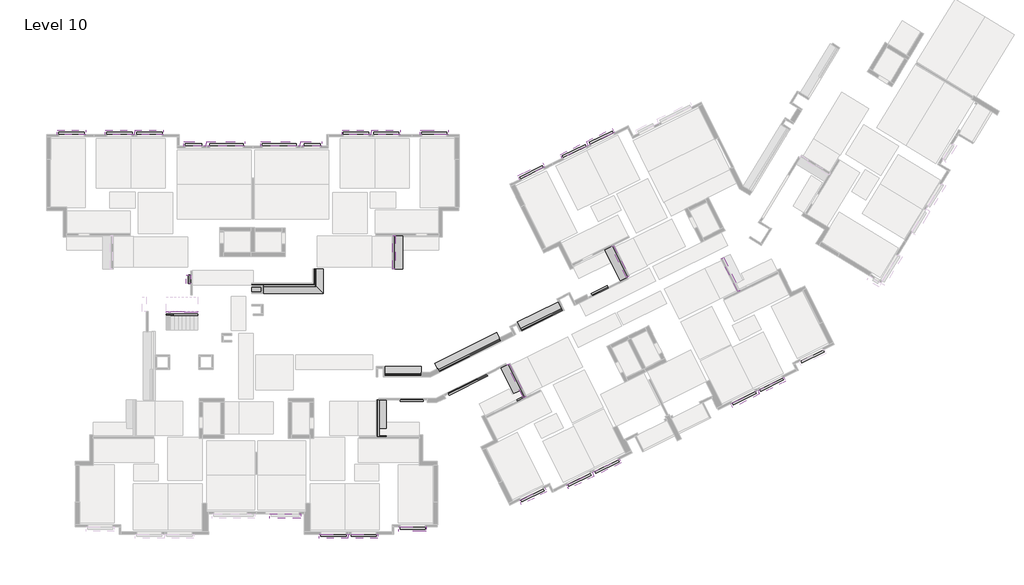
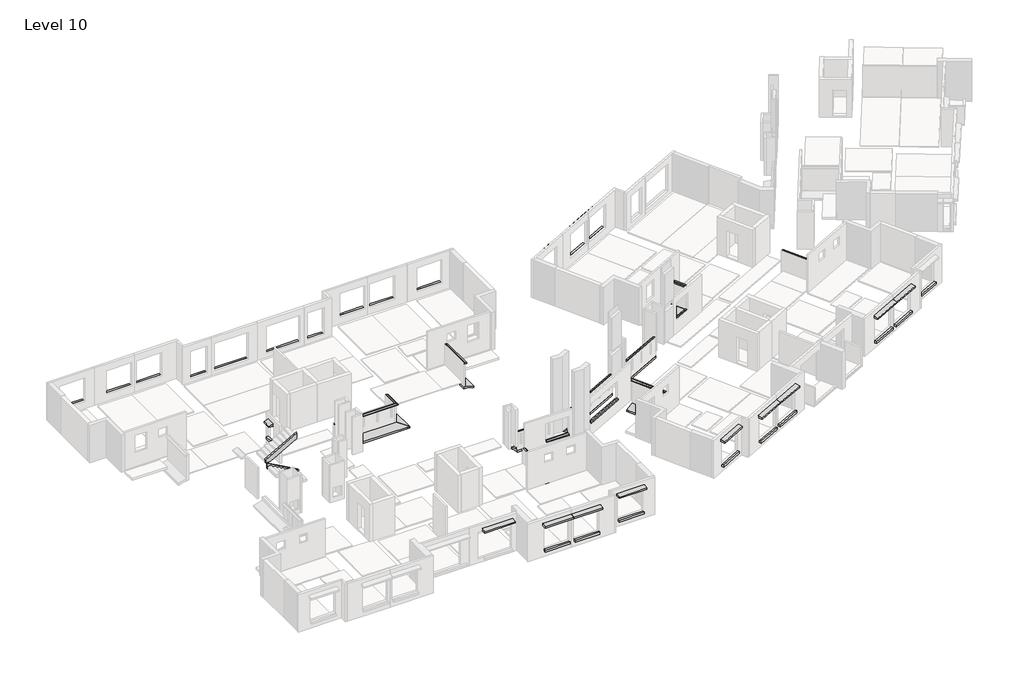
# One storey, part 7 of 8: 68 proxies, 2 members.
"""IFC4 building model written with IfcOpenShell, lengths in millimetres."""

from ifc_helpers import new_model, si_unit, frame, origin, place, context, project, spatial, polyline, outline, extrude, faceted_brep, element, save

model = new_model("IFC4")

# Units and contexts
model_context = context("Model", 3, world=origin())
ifc_project = project(units=[si_unit("LENGTHUNIT", "METRE", prefix="MILLI")], contexts=[model_context])

# Site, building, storey
site = spatial("IfcSite", under=ifc_project)
building = spatial("IfcBuilding", under=site)
storey = spatial("IfcBuildingStorey", under=building, Name="Level 10", Elevation=26000.0)

# Proxies
placement = place(None, origin())
element("IfcBuildingElementProxy", 1, Name="Wall Sweeps", at=placement, inside=storey, context=model_context, shape_type="SweptSolid", body=[
    extrude(outline(polyline([(25545.0, 113051.8906058), (25706.0, 112451.8906058), (25706.0, 112331.8906058), (25550.0, 112331.8906058), (25550.0, 112451.8906058), (25550.0, 112560.586258), (25445.0, 112951.8906058), (25420.0, 112951.8906058), (25420.0, 113006.8906058), (25430.0, 113016.8906058), (25420.0, 113026.8906058), (25420.0, 113051.8906058), (25545.0, 113051.8906058)])), frame((0.0, -65276.6352907, 0.0), z_axis=(0.0, 1.0, 0.0), x_axis=(0.0, 0.0, 1.0)), (0.0, 0.0, 1.0), 2331.6797338),
])
element("IfcBuildingElementProxy", 2, Name="Wall Sweeps", at=placement, inside=storey, context=model_context, shape_type="SweptSolid", body=[
    extrude(outline(polyline([(-600.0, -425.0), (-600.0, -300.0), (-575.0, -300.0), (-565.0, -310.0), (-554.9999999, -300.0), (-500.0, -300.0), (-500.0, -325.0), (-108.6956521, -430.0), (0.0, -430.0), (120.0, -430.0), (120.0, -586.0), (0.0, -586.0), (-600.0, -425.0)])), frame((128699.9947468, -65837.6060127, 25120.0), z_axis=(-0.44463517918650114, 0.8957117602386317, 0.0), x_axis=(0.8957117602386317, 0.44463517918650114, 0.0)), (0.0, 0.0, 1.0), 2402.3823605),
])
element("IfcBuildingElementProxy", 3, Name="Wall Sweeps", at=placement, inside=storey, context=model_context, shape_type="SweptSolid", body=[
    extrude(outline(polyline([(-600.0, -425.0), (-600.0, -300.0), (-575.0, -300.0), (-565.0, -310.0), (-555.0, -300.0), (-500.0000001, -300.0), (-500.0000001, -325.0), (-108.6956522, -430.0), (0.0, -430.0), (120.0, -430.0), (120.0, -586.0), (0.0, -586.0), (-600.0, -425.0)])), frame((121532.728752, -74191.3366927, 25120.0), z_axis=(-0.44463517918650114, 0.8957117602386317, 0.0), x_axis=(0.8957117602386317, 0.44463517918650114, 0.0)), (0.0, 0.0, 1.0), 2545.9175932),
])
element("IfcBuildingElementProxy", 4, Name="Wall Sweeps", at=placement, inside=storey, context=model_context, shape_type="SweptSolid", body=[
    extrude(outline(polyline([(-72060.6596186, 25545.0), (-72060.6596186, 25420.0), (-72085.6596186, 25420.0), (-72095.6596186, 25430.0), (-72105.6596186, 25420.0), (-72160.6596186, 25420.0), (-72160.6596186, 25445.0), (-72551.9639664, 25550.0), (-72660.6596186, 25550.0), (-72780.6596186, 25550.0), (-72780.6596186, 25706.0), (-72660.6596186, 25706.0), (-72060.6596186, 25545.0)])), frame((111806.9024596, 0.0, 0.0), z_axis=(1.0, 0.0, 0.0), x_axis=(0.0, 1.0, 0.0)), (0.0, 0.0, 1.0), 2526.2855451),
])
element("IfcBuildingElementProxy", 5, Name="Wall Sweeps", at=placement, inside=storey, context=model_context, shape_type="Brep", body=[
    faceted_brep([(114333.1880048, -72655.6596186, 27050.0), (114333.1880048, -72735.6596186, 27050.0), (114333.1880048, -72735.6596186, 26950.0), (114333.1880048, -72660.6596186, 26950.0), (114333.1880048, -72565.6596186, 26950.0), (114333.1880048, -72565.6596186, 27000.0), (111806.9024596, -72655.6596186, 27050.0), (111806.9024596, -72565.6596186, 27000.0), (111806.9024596, -72565.6596186, 26950.0), (111806.9024596, -72660.6596186, 26950.0), (111806.9024596, -72735.6596186, 26950.0), (111806.9024596, -72735.6596186, 27050.0)], [[[0, 1, 2, 3, 4, 5]], [[6, 7, 8, 9, 10, 11]], [[1, 0, 6, 11]], [[2, 1, 11, 10]], [[4, 3, 2, 10, 9, 8]], [[5, 4, 8, 7]], [[0, 5, 7, 6]]]),
])
element("IfcBuildingElementProxy", 6, Name="Wall Sweeps", at=placement, inside=storey, context=model_context, shape_type="SweptSolid", body=[
    extrude(outline(polyline([(-600.0, -425.0), (-600.0, -300.0), (-575.0000001, -300.0), (-565.0000001, -310.0), (-555.0000001, -300.0), (-500.0000001, -300.0), (-500.0000001, -325.0), (-108.6956522, -430.0), (0.0, -430.0), (120.0, -430.0), (120.0, -586.0), (0.0, -586.0), (-600.0, -425.0)])), frame((115545.1104648, -72373.1742074, 25070.0), z_axis=(0.8957117602386374, 0.4446351791864898, 0.0), x_axis=(0.4446351791864898, -0.8957117602386374, 0.0)), (0.0, 0.0, 1.0), 4804.6782744),
])
element("IfcBuildingElementProxy", 7, Name="Wall Sweeps", at=placement, inside=storey, context=model_context, shape_type="Brep", body=[
    faceted_brep([(119846.4941234, -70232.3666631, 27050.0), (119882.0649378, -70304.0236039, 27050.0), (119882.0649378, -70304.0236039, 26950.0), (119848.7172993, -70236.8452219, 26950.0), (119806.4769573, -70151.7526047, 26950.0), (119806.4769573, -70151.7526047, 27000.0), (115542.8872889, -72368.6956486, 27050.0), (115502.8701228, -72288.0815901, 27000.0), (115502.8701228, -72288.0815901, 26950.0), (115545.1104648, -72373.1742074, 26950.0), (115578.4581032, -72440.3525894, 26950.0), (115578.4581032, -72440.3525894, 27050.0)], [[[0, 1, 2, 3, 4, 5]], [[6, 7, 8, 9, 10, 11]], [[1, 0, 6, 11]], [[2, 1, 11, 10]], [[4, 3, 2, 10, 9, 8]], [[5, 4, 8, 7]], [[0, 5, 7, 6]]]),
])
element("IfcBuildingElementProxy", 8, Name="Wall Sweeps", at=placement, inside=storey, context=model_context, shape_type="SweptSolid", body=[
    extrude(outline(polyline([(-600.0, -425.0), (-600.0, -300.0), (-575.0, -300.0), (-565.0, -310.0), (-555.0, -300.0), (-500.0, -300.0), (-500.0, -325.0), (-108.6956521, -430.0), (0.0, -430.0), (120.0, -430.0), (120.0, -586.0), (0.0, -586.0), (-600.0, -425.0)])), frame((121285.6244929, -69522.3575498, 25070.0), z_axis=(0.8958595343652209, 0.4443373658459636, 0.0), x_axis=(0.4443373658459636, -0.8958595343652209, 0.0)), (0.0, 0.0, 1.0), 3175.0),
])
element("IfcBuildingElementProxy", 9, Name="Wall Sweeps", at=placement, inside=storey, context=model_context, shape_type="Brep", body=[
    faceted_brep([(124127.7568277, -68107.1071156, 27050.0), (124163.3038169, -68178.7758783, 27050.0), (124163.3038169, -68178.7758783, 26950.0), (124129.9785145, -68111.5864133, 26950.0), (124087.7664647, -68026.4797575, 26950.0), (124087.7664647, -68026.4797575, 27000.0), (121283.4028061, -69517.8782521, 27050.0), (121243.4124431, -69437.2508941, 27000.0), (121243.4124431, -69437.2508941, 26950.0), (121285.6244929, -69522.3575498, 26950.0), (121318.9497953, -69589.5470149, 26950.0), (121318.9497953, -69589.5470149, 27050.0)], [[[0, 1, 2, 3, 4, 5]], [[6, 7, 8, 9, 10, 11]], [[1, 0, 6, 11]], [[2, 1, 11, 10]], [[4, 3, 2, 10, 9, 8]], [[5, 4, 8, 7]], [[0, 5, 7, 6]]]),
])
element("IfcBuildingElementProxy", 10, Name="Wall Sweeps", at=placement, inside=storey, context=model_context, shape_type="Brep", body=[
    faceted_brep([(107531.9024596, -67001.6158002, 25495.0), (107531.9024596, -67001.6158002, 25370.0), (107506.9024596, -66976.6158002, 25370.0), (107496.9024596, -66966.6158002, 25380.0), (107486.9024596, -66956.6158002, 25370.0), (107431.9024596, -66901.6158002, 25370.0), (107431.9024596, -66901.6158002, 25395.0), (107040.5981118, -66510.3114524, 25500.0), (106931.9024596, -66401.6158002, 25500.0), (106811.9024596, -66281.6158002, 25500.0), (106811.9024596, -66281.6158002, 25656.0), (106931.9024596, -66401.6158002, 25656.0), (102581.8906058, -67001.6158002, 25495.0), (102581.8906058, -66401.6158002, 25656.0), (102581.8906058, -66281.6158002, 25656.0), (102581.8906058, -66281.6158002, 25500.0), (102581.8906058, -66401.6158002, 25500.0), (102581.8906058, -66510.3114524, 25500.0), (102581.8906058, -66901.6158002, 25395.0), (102581.8906058, -66901.6158002, 25370.0), (102581.8906058, -66956.6158002, 25370.0), (102581.8906058, -66966.6158002, 25380.0), (102581.8906058, -66976.6158002, 25370.0), (102581.8906058, -67001.6158002, 25370.0)], [[[0, 1, 2, 3, 4, 5, 6, 7, 8, 9, 10, 11]], [[12, 13, 14, 15, 16, 17, 18, 19, 20, 21, 22, 23]], [[1, 0, 12, 23]], [[2, 1, 23, 22]], [[3, 2, 22, 21]], [[4, 3, 21, 20]], [[5, 4, 20, 19]], [[6, 5, 19, 18]], [[7, 6, 18, 17]], [[8, 7, 17, 16]], [[0, 11, 13, 12]], [[9, 8, 16, 15]], [[10, 9, 15, 14]], [[11, 10, 14, 13]]]),
])
element("IfcBuildingElementProxy", 11, Name="Wall Sweeps", at=placement, inside=storey, context=model_context, shape_type="Brep", body=[
    faceted_brep([(106936.9024596, -66406.6158002, 27050.0), (107026.9024596, -66496.6158002, 27000.0), (107026.9024596, -66496.6158002, 26950.0), (106856.9024596, -66326.6158002, 26950.0), (106856.9024596, -66326.6158002, 27050.0), (102581.8906058, -66406.6158002, 27050.0), (102581.8906058, -66326.6158002, 27050.0), (102581.8906058, -66326.6158002, 26950.0), (102581.8906058, -66401.6158002, 26950.0), (102581.8906058, -66496.6158002, 26950.0), (102581.8906058, -66496.6158002, 27000.0), (106811.9024596, -66326.6158002, 26950.0), (106811.9024596, -66326.6158002, 27050.0)], [[[0, 1, 2, 3, 4]], [[5, 6, 7, 8, 9, 10]], [[1, 0, 5, 10]], [[2, 1, 10, 9]], [[3, 2, 9, 8, 7, 11]], [[4, 3, 11, 7, 6, 12]], [[0, 4, 12, 6, 5]]]),
])
element("IfcBuildingElementProxy", 12, Name="Wall Sweeps", at=placement, inside=storey, context=model_context, shape_type="Brep", body=[
    faceted_brep([(107531.9024596, -65276.6352907, 25495.0), (107531.9024596, -65276.6352907, 25370.0), (107506.9024596, -65276.6352907, 25370.0), (107496.9024596, -65276.6352907, 25380.0), (107486.9024596, -65276.6352907, 25370.0), (107431.9024596, -65276.6352907, 25370.0), (107431.9024596, -65276.6352907, 25395.0), (107040.5981118, -65276.6352907, 25500.0), (106931.9024596, -65276.6352907, 25500.0), (106811.9024596, -65276.6352907, 25500.0), (106811.9024596, -65276.6352907, 25656.0), (106931.9024596, -65276.6352907, 25656.0), (107531.9024596, -67001.6158002, 25495.0), (106931.9024596, -66401.6158002, 25656.0), (106811.9024596, -66281.6158002, 25656.0), (106811.9024596, -66281.6158002, 25500.0), (106931.9024596, -66401.6158002, 25500.0), (107040.5981118, -66510.3114524, 25500.0), (107431.9024596, -66901.6158002, 25395.0), (107431.9024596, -66901.6158002, 25370.0), (107486.9024596, -66956.6158002, 25370.0), (107496.9024596, -66966.6158002, 25380.0), (107506.9024596, -66976.6158002, 25370.0), (107531.9024596, -67001.6158002, 25370.0)], [[[0, 1, 2, 3, 4, 5, 6, 7, 8, 9, 10, 11]], [[12, 13, 14, 15, 16, 17, 18, 19, 20, 21, 22, 23]], [[1, 0, 12, 23]], [[2, 1, 23, 22]], [[3, 2, 22, 21]], [[4, 3, 21, 20]], [[5, 4, 20, 19]], [[6, 5, 19, 18]], [[7, 6, 18, 17]], [[8, 7, 17, 16]], [[0, 11, 13, 12]], [[9, 8, 16, 15]], [[10, 9, 15, 14]], [[11, 10, 14, 13]]]),
])
element("IfcBuildingElementProxy", 13, Name="Wall Sweeps", at=placement, inside=storey, context=model_context, shape_type="Brep", body=[
    faceted_brep([(106936.9024596, -65276.6352907, 27050.0), (107026.9024596, -65276.6352907, 27000.0), (107026.9024596, -65276.6352907, 26950.0), (106931.9024596, -65276.6352907, 26950.0), (106856.9024596, -65276.6352907, 26950.0), (106856.9024596, -65276.6352907, 27050.0), (106936.9024596, -66406.6158002, 27050.0), (106856.9024596, -66326.6158002, 27050.0), (106856.9024596, -66326.6158002, 26950.0), (107026.9024596, -66496.6158002, 26950.0), (107026.9024596, -66496.6158002, 27000.0)], [[[0, 1, 2, 3, 4, 5]], [[6, 7, 8, 9, 10]], [[1, 0, 6, 10]], [[2, 1, 10, 9]], [[4, 3, 2, 9, 8]], [[5, 4, 8, 7]], [[0, 5, 7, 6]]]),
])
element("IfcBuildingElementProxy", 14, Name="Wall Sweeps", at=placement, inside=storey, context=model_context, shape_type="SweptSolid", body=[
    extrude(outline(polyline([(89166.1668295, -55924.9555569), (89166.1668295, -55772.5555569), (90924.4788397, -55772.5555569), (90924.4788397, -55924.9555569), (89166.1668295, -55924.9555569)])), frame((0.0, 0.0, 26397.6), z_axis=(0.0, 0.0, 1.0), x_axis=(1.0, 0.0, 0.0)), (0.0, 0.0, 1.0), 152.4),
])
element("IfcBuildingElementProxy", 15, Name="Wall Sweeps", at=placement, inside=storey, context=model_context, shape_type="Brep", body=[
    faceted_brep([(92491.1668295, -55924.9555569, 26397.6), (92491.1668295, -55924.9555569, 26550.0), (92491.1668295, -55772.5555569, 26550.0), (92491.1668295, -55772.5555569, 26397.6), (94251.1668295, -55924.9555569, 26397.6), (94251.1668295, -55772.5555569, 26397.6), (94251.1668295, -55772.5555569, 26550.0), (94251.1668295, -55924.9555569, 26550.0), (94241.1668295, -55924.9555569, 26550.0)], [[[0, 1, 2, 3]], [[4, 5, 6, 7]], [[1, 0, 4, 7, 8]], [[2, 1, 8, 7, 6]], [[3, 2, 6, 5]], [[0, 3, 5, 4]]]),
])
element("IfcBuildingElementProxy", 16, Name="Wall Sweeps", at=placement, inside=storey, context=model_context, shape_type="SweptSolid", body=[
    extrude(outline(polyline([(108936.1668295, -55924.9555569), (108936.1668295, -55772.5555569), (110686.1668295, -55772.5555569), (110686.1668295, -55924.9555569), (108936.1668295, -55924.9555569)])), frame((0.0, 0.0, 26397.6), z_axis=(0.0, 0.0, 1.0), x_axis=(1.0, 0.0, 0.0)), (0.0, 0.0, 1.0), 152.4),
])
element("IfcBuildingElementProxy", 17, Name="Wall Sweeps", at=placement, inside=storey, context=model_context, shape_type="SweptSolid", body=[
    extrude(outline(polyline([(114366.1668295, -55924.9555569), (114366.1668295, -55772.5555569), (116116.1668295, -55772.5555569), (116116.1668295, -55924.9555569), (114366.1668295, -55924.9555569)])), frame((0.0, 0.0, 26397.6), z_axis=(0.0, 0.0, 1.0), x_axis=(1.0, 0.0, 0.0)), (0.0, 0.0, 1.0), 152.4),
])
element("IfcBuildingElementProxy", 18, Name="Wall Sweeps", at=placement, inside=storey, context=model_context, shape_type="SweptSolid", body=[
    extrude(outline(polyline([(121251.0649574, -59016.0941946), (121183.2943827, -58879.59178), (122750.7433694, -58101.3863611), (122818.5139442, -58237.8887758), (121251.0649574, -59016.0941946)])), frame((0.0, 0.0, 26397.6), z_axis=(0.0, 0.0, 1.0), x_axis=(1.0, 0.0, 0.0)), (0.0, 0.0, 1.0), 152.4),
])
element("IfcBuildingElementProxy", 19, Name="Wall Sweeps", at=placement, inside=storey, context=model_context, shape_type="Brep", body=[
    faceted_brep([(124222.7077303, -57540.7361266, 26397.6), (124222.7077303, -57540.7361266, 26550.0), (124154.9371556, -57404.233712, 26550.0), (124154.9371556, -57404.233712, 26397.6), (125792.1885933, -56761.521924, 26397.6), (125724.4180186, -56625.0195094, 26397.6), (125724.4180186, -56625.0195094, 26550.0), (125792.1885933, -56761.521924, 26550.0), (125790.3972231, -56762.4113017, 26550.0), (124222.9482363, -57540.6167205, 26550.0)], [[[0, 1, 2, 3]], [[4, 5, 6, 7]], [[1, 0, 4, 7, 8, 9]], [[2, 1, 9, 8, 7, 6]], [[3, 2, 6, 5]], [[0, 3, 5, 4]]]),
])
element("IfcBuildingElementProxy", 20, Name="Wall Sweeps", at=placement, inside=storey, context=model_context, shape_type="SweptSolid", body=[
    extrude(outline(polyline([(142266.1021713, -70912.3549846), (142333.8645727, -71048.8614569), (140766.3689922, -71826.9730205), (140698.6065909, -71690.4665482), (142266.1021713, -70912.3549846)])), frame((0.0, 0.0, 26397.6), z_axis=(0.0, 0.0, 1.0), x_axis=(1.0, 0.0, 0.0)), (0.0, 0.0, 1.0), 152.4),
])
element("IfcBuildingElementProxy", 21, Name="Wall Sweeps", at=placement, inside=storey, context=model_context, shape_type="Brep", body=[
    faceted_brep([(139443.235759, -72872.3061264, 26397.6), (139443.235759, -72872.3061264, 26550.0), (139511.0435396, -73008.7900628, 26550.0), (139511.0435396, -73008.7900628, 26397.6), (137867.0433177, -73655.3881068, 26397.6), (137934.8510983, -73791.8720432, 26397.6), (137934.8510983, -73791.8720432, 26550.0), (137867.0433177, -73655.3881068, 26550.0), (137875.9989566, -73650.9387774, 26550.0)], [[[0, 1, 2, 3]], [[4, 5, 6, 7]], [[1, 0, 4, 7, 8]], [[2, 1, 8, 7, 6]], [[3, 2, 6, 5]], [[0, 3, 5, 4]]]),
])
element("IfcBuildingElementProxy", 22, Name="Wall Sweeps", at=placement, inside=storey, context=model_context, shape_type="SweptSolid", body=[
    extrude(outline(polyline([(121329.6584176, -81475.4399412), (121261.8960163, -81338.9334689), (122829.3915967, -80560.8219053), (122897.153998, -80697.3283776), (121329.6584176, -81475.4399412)])), frame((0.0, 0.0, 26397.6), z_axis=(0.0, 0.0, 1.0), x_axis=(1.0, 0.0, 0.0)), (0.0, 0.0, 1.0), 152.4),
])
element("IfcBuildingElementProxy", 23, Name="Wall Sweeps", at=placement, inside=storey, context=model_context, shape_type="SweptSolid", body=[
    extrude(outline(polyline([(124597.381983, -80411.9959522), (124529.6649684, -80275.4669591), (126097.4191536, -79497.8765689), (126165.1361681, -79634.4055619), (124597.381983, -80411.9959522)])), frame((0.0, 0.0, 26397.6), z_axis=(0.0, 0.0, 1.0), x_axis=(1.0, 0.0, 0.0)), (0.0, 0.0, 1.0), 152.4),
])
element("IfcBuildingElementProxy", 24, Name="Wall Sweeps", at=placement, inside=storey, context=model_context, shape_type="SweptSolid", body=[
    extrude(outline(polyline([(114616.1668295, -83224.9555569), (114616.1668295, -83377.3555569), (112866.1668295, -83377.3555569), (112866.1668295, -83224.9555569), (114616.1668295, -83224.9555569)])), frame((0.0, 0.0, 26397.6), z_axis=(0.0, 0.0, 1.0), x_axis=(1.0, 0.0, 0.0)), (0.0, 0.0, 1.0), 152.4),
])
element("IfcBuildingElementProxy", 25, Name="Wall Sweeps", at=placement, inside=storey, context=model_context, shape_type="SweptSolid", body=[
    extrude(outline(polyline([(111216.1786833, -83724.9555569), (111216.1786833, -83877.3555569), (109466.1786833, -83877.3555569), (109466.1786833, -83724.9555569), (111216.1786833, -83724.9555569)])), frame((0.0, 0.0, 26397.6), z_axis=(0.0, 0.0, 1.0), x_axis=(1.0, 0.0, 0.0)), (0.0, 0.0, 1.0), 152.4),
])
element("IfcBuildingElementProxy", 26, Name="Wall Sweeps", at=placement, inside=storey, context=model_context, shape_type="SweptSolid", body=[
    extrude(outline(polyline([(103291.1668295, -56724.9555569), (103291.1668295, -56572.5555569), (105641.1668295, -56572.5555569), (105641.1668295, -56724.9555569), (103291.1668295, -56724.9555569)])), frame((0.0, 0.0, 26147.6), z_axis=(0.0, 0.0, 1.0), x_axis=(1.0, 0.0, 0.0)), (0.0, 0.0, 1.0), 152.4),
])
element("IfcBuildingElementProxy", 27, Name="Wall Sweeps", at=placement, inside=storey, context=model_context, shape_type="SweptSolid", body=[
    extrude(outline(polyline([(97941.1668295, -56724.9555569), (97941.1668295, -56572.5555569), (99091.1668295, -56572.5555569), (99091.1668295, -56724.9555569), (97941.1668295, -56724.9555569)])), frame((0.0, 0.0, 26147.6), z_axis=(0.0, 0.0, 1.0), x_axis=(1.0, 0.0, 0.0)), (0.0, 0.0, 1.0), 152.4),
])
element("IfcBuildingElementProxy", 28, Name="Wall Sweeps", at=placement, inside=storey, context=model_context, shape_type="Brep", body=[
    faceted_brep([(94591.1668295, -55924.9555569, 26397.6), (94591.1668295, -55924.9555569, 26550.0), (94591.1668295, -55772.5555569, 26550.0), (94591.1668295, -55772.5555569, 26397.6), (96351.1668295, -55924.9555569, 26397.6), (96351.1668295, -55772.5555569, 26397.6), (96351.1668295, -55772.5555569, 26550.0), (96351.1668295, -55924.9555569, 26550.0), (96341.1668295, -55924.9555569, 26550.0)], [[[0, 1, 2, 3]], [[4, 5, 6, 7]], [[0, 3, 5, 4]], [[3, 2, 6, 5]], [[2, 1, 8, 7, 6]], [[1, 0, 4, 7, 8]]]),
])
element("IfcBuildingElementProxy", 29, Name="Wall Sweeps", at=placement, inside=storey, context=model_context, shape_type="SweptSolid", body=[
    extrude(outline(polyline([(106196.1668295, -56724.9555569), (106196.1668295, -56572.5555569), (107336.1668295, -56572.5555569), (107336.1668295, -56724.9555569), (106196.1668295, -56724.9555569)])), frame((0.0, 0.0, 26147.6), z_axis=(0.0, 0.0, 1.0), x_axis=(1.0, 0.0, 0.0)), (0.0, 0.0, 1.0), 152.4),
])
element("IfcBuildingElementProxy", 30, Name="Wall Sweeps", at=placement, inside=storey, context=model_context, shape_type="SweptSolid", body=[
    extrude(outline(polyline([(99641.1668295, -56724.9555569), (99641.1668295, -56572.5555569), (101991.1668295, -56572.5555569), (101991.1668295, -56724.9555569), (99641.1668295, -56724.9555569)])), frame((0.0, 0.0, 26147.6), z_axis=(0.0, 0.0, 1.0), x_axis=(1.0, 0.0, 0.0)), (0.0, 0.0, 1.0), 152.4),
])
element("IfcBuildingElementProxy", 31, Name="Wall Sweeps", at=placement, inside=storey, context=model_context, shape_type="SweptSolid", body=[
    extrude(outline(polyline([(111036.1668295, -55924.9555569), (111036.1668295, -55772.5555569), (112786.1668295, -55772.5555569), (112786.1668295, -55924.9555569), (111036.1668295, -55924.9555569)])), frame((0.0, 0.0, 26397.6), z_axis=(0.0, 0.0, 1.0), x_axis=(1.0, 0.0, 0.0)), (0.0, 0.0, 1.0), 152.4),
])
element("IfcBuildingElementProxy", 32, Name="Wall Sweeps", at=placement, inside=storey, context=model_context, shape_type="Brep", body=[
    faceted_brep([(126096.7215393, -56610.3277284, 26397.6), (126096.7215393, -56610.3277284, 26550.0), (126028.9509646, -56473.8253138, 26550.0), (126028.9509646, -56473.8253138, 26397.6), (127673.1273775, -55827.6754214, 26397.6), (127605.3568027, -55691.1730068, 26397.6), (127605.3568027, -55691.1730068, 26550.0), (127673.1273775, -55827.6754214, 26550.0), (126103.8870204, -56606.7702179, 26550.0), (127671.3360072, -55828.5647991, 26550.0)], [[[0, 1, 2, 3]], [[4, 5, 6, 7]], [[0, 3, 5, 4]], [[3, 2, 6, 5]], [[2, 1, 8, 9, 7, 6]], [[1, 0, 4, 7, 9, 8]]]),
])
element("IfcBuildingElementProxy", 33, Name="Wall Sweeps", at=placement, inside=storey, context=model_context, shape_type="Brep", body=[
    faceted_brep([(137562.4024187, -73806.7394217, 26397.6), (137562.4024187, -73806.7394217, 26550.0), (137630.2101993, -73943.2233581, 26550.0), (137630.2101993, -73943.2233581, 26397.6), (135950.3874219, -74607.6187198, 26397.6), (136018.1952025, -74744.1026562, 26397.6), (136018.1952025, -74744.1026562, 26550.0), (135950.3874219, -74607.6187198, 26550.0), (135950.5365993, -74607.5446056, 26550.0)], [[[0, 1, 2, 3]], [[4, 5, 6, 7]], [[0, 3, 5, 4]], [[3, 2, 6, 5]], [[2, 1, 8, 7, 6]], [[1, 0, 4, 7, 8]]]),
])
element("IfcBuildingElementProxy", 34, Name="Wall Sweeps", at=placement, inside=storey, context=model_context, shape_type="Brep", body=[
    faceted_brep([(126411.1192172, -79342.2844759, 26397.6), (126478.8362318, -79478.813469, 26397.6), (126478.8362318, -79478.813469, 26550.0), (126411.1192172, -79342.2844759, 26550.0), (128023.6663791, -78542.4772174, 26397.6), (128023.6663791, -78542.4772174, 26550.0), (128091.3833937, -78679.0062104, 26550.0), (128091.3833937, -78679.0062104, 26397.6), (128023.5171524, -78542.5512323, 26550.0)], [[[0, 1, 2, 3]], [[4, 5, 6, 7]], [[0, 3, 8, 5, 4]], [[3, 2, 6, 5, 8]], [[2, 1, 7, 6]], [[1, 0, 4, 7]]]),
])
element("IfcBuildingElementProxy", 35, Name="Wall Sweeps", at=placement, inside=storey, context=model_context, shape_type="Brep", body=[
    faceted_brep([(109121.1786833, -83724.9555569, 26397.6), (109121.1786833, -83724.9555569, 26550.0), (109121.1786833, -83877.3555569, 26550.0), (109121.1786833, -83877.3555569, 26397.6), (107361.1786833, -83724.9555569, 26397.6), (107361.1786833, -83877.3555569, 26397.6), (107361.1786833, -83877.3555569, 26550.0), (107361.1786833, -83724.9555569, 26550.0), (109116.1786833, -83724.9555569, 26550.0), (107366.1786833, -83724.9555569, 26550.0)], [[[0, 1, 2, 3]], [[4, 5, 6, 7]], [[0, 3, 5, 4]], [[3, 2, 6, 5]], [[2, 1, 8, 9, 7, 6]], [[1, 0, 4, 7, 9, 8]]]),
])
element("IfcBuildingElementProxy", 36, Name="Wall Sweeps", at=placement, inside=storey, context=model_context, shape_type="Brep", body=[
    faceted_brep([(97851.1668295, -56424.9555569, 28300.0), (97851.1668295, -56724.9555569, 28300.0), (97851.1668295, -56724.9555569, 28480.3847577), (97851.1668295, -56424.9555569, 28400.0), (99391.1668295, -56424.9555569, 28300.0), (99391.1668295, -56424.9555569, 28400.0), (99391.1668295, -56724.9555569, 28480.3847577), (99391.1668295, -56724.9555569, 28300.0), (99091.1668295, -56724.9555569, 28300.0), (97941.1668295, -56724.9555569, 28300.0)], [[[0, 1, 2, 3]], [[4, 5, 6, 7]], [[1, 0, 4, 7, 8, 9]], [[2, 1, 9, 8, 7, 6]], [[3, 2, 6, 5]], [[0, 3, 5, 4]]]),
])
element("IfcBuildingElementProxy", 37, Name="Wall Sweeps", at=placement, inside=storey, context=model_context, shape_type="Brep", body=[
    faceted_brep([(99391.1668295, -56424.9555569, 28300.0), (99391.1668295, -56724.9555569, 28300.0), (99391.1668295, -56724.9555569, 28480.3847577), (99391.1668295, -56424.9555569, 28400.0), (102091.1668295, -56424.9555569, 28300.0), (102091.1668295, -56424.9555569, 28400.0), (102091.1668295, -56724.9555569, 28480.3847577), (102091.1668295, -56724.9555569, 28300.0), (101991.1668295, -56724.9555569, 28300.0), (99641.1668295, -56724.9555569, 28300.0)], [[[0, 1, 2, 3]], [[4, 5, 6, 7]], [[1, 0, 4, 7, 8, 9]], [[2, 1, 9, 8, 7, 6]], [[3, 2, 6, 5]], [[0, 3, 5, 4]]]),
])
element("IfcBuildingElementProxy", 38, Name="Wall Sweeps", at=placement, inside=storey, context=model_context, shape_type="Brep", body=[
    faceted_brep([(103196.1668295, -56424.9555569, 28300.0), (103196.1668295, -56724.9555569, 28300.0), (103196.1668295, -56724.9555569, 28480.3847577), (103196.1668295, -56424.9555569, 28400.0), (105936.1668295, -56424.9555569, 28300.0), (105936.1668295, -56424.9555569, 28400.0), (105936.1668295, -56724.9555569, 28480.3847577), (105936.1668295, -56724.9555569, 28300.0), (105641.1668295, -56724.9555569, 28300.0), (103291.1668295, -56724.9555569, 28300.0)], [[[0, 1, 2, 3]], [[4, 5, 6, 7]], [[1, 0, 4, 7, 8, 9]], [[2, 1, 9, 8, 7, 6]], [[3, 2, 6, 5]], [[0, 3, 5, 4]]]),
])
element("IfcBuildingElementProxy", 39, Name="Wall Sweeps", at=placement, inside=storey, context=model_context, shape_type="Brep", body=[
    faceted_brep([(105936.1668295, -56424.9555569, 28300.0), (105936.1668295, -56724.9555569, 28300.0), (105936.1668295, -56724.9555569, 28480.3847577), (105936.1668295, -56424.9555569, 28400.0), (107436.1668295, -56424.9555569, 28300.0), (107436.1668295, -56424.9555569, 28400.0), (107436.1668295, -56724.9555569, 28480.3847577), (107436.1668295, -56724.9555569, 28300.0), (107341.1668295, -56724.9555569, 28300.0), (106191.1668295, -56724.9555569, 28300.0)], [[[0, 1, 2, 3]], [[4, 5, 6, 7]], [[1, 0, 4, 7, 8, 9]], [[2, 1, 9, 8, 7, 6]], [[3, 2, 6, 5]], [[0, 3, 5, 4]]]),
])
element("IfcBuildingElementProxy", 40, Name="Wall Sweeps", at=placement, inside=storey, context=model_context, shape_type="Brep", body=[
    faceted_brep([(105967.3508381, -82624.9555569, 28300.0), (105967.3508381, -82324.9555569, 28300.0), (105967.3508381, -82324.9555569, 28480.3847577), (105967.3508381, -82624.9555569, 28400.0), (103817.3508381, -82624.9555569, 28300.0), (103817.3508381, -82624.9555569, 28400.0), (103817.3508381, -82324.9555569, 28480.3847577), (103817.3508381, -82324.9555569, 28300.0), (105867.3508381, -82324.9555569, 28300.0)], [[[0, 1, 2, 3]], [[4, 5, 6, 7]], [[1, 0, 4, 7, 8]], [[2, 1, 8, 7, 6]], [[3, 2, 6, 5]], [[0, 3, 5, 4]]]),
])
element("IfcBuildingElementProxy", 41, Name="Wall Sweeps", at=placement, inside=storey, context=model_context, shape_type="SweptSolid", body=[
    extrude(outline(polyline([(-55624.9555569, 28300.0), (-55924.9555569, 28300.0), (-55924.9555569, 28480.3847577), (-55624.9555569, 28400.0), (-55624.9555569, 28300.0)])), frame((89066.1668295, 0.0, 0.0), z_axis=(1.0, 0.0, 0.0), x_axis=(0.0, 1.0, 0.0)), (0.0, 0.0, 1.0), 1960.0),
])
element("IfcBuildingElementProxy", 42, Name="Wall Sweeps", at=placement, inside=storey, context=model_context, shape_type="SweptSolid", body=[
    extrude(outline(polyline([(-55624.9555569, 28300.0), (-55924.9555569, 28300.0), (-55924.9555569, 28480.3847577), (-55624.9555569, 28400.0), (-55624.9555569, 28300.0)])), frame((92391.1668295, 0.0, 0.0), z_axis=(1.0, 0.0, 0.0), x_axis=(0.0, 1.0, 0.0)), (0.0, 0.0, 1.0), 2040.0),
])
element("IfcBuildingElementProxy", 43, Name="Wall Sweeps", at=placement, inside=storey, context=model_context, shape_type="SweptSolid", body=[
    extrude(outline(polyline([(-55624.9555569, 28300.0), (-55924.9555569, 28300.0), (-55924.9555569, 28480.3847577), (-55624.9555569, 28400.0), (-55624.9555569, 28300.0)])), frame((94431.1668295, 0.0, 0.0), z_axis=(1.0, 0.0, 0.0), x_axis=(0.0, 1.0, 0.0)), (0.0, 0.0, 1.0), 2000.0),
])
element("IfcBuildingElementProxy", 44, Name="Wall Sweeps", at=placement, inside=storey, context=model_context, shape_type="SweptSolid", body=[
    extrude(outline(polyline([(-55624.9555569, 28300.0), (-55924.9555569, 28300.0), (-55924.9555569, 28480.3847577), (-55624.9555569, 28400.0), (-55624.9555569, 28300.0)])), frame((108836.1668295, 0.0, 0.0), z_axis=(1.0, 0.0, 0.0), x_axis=(0.0, 1.0, 0.0)), (0.0, 0.0, 1.0), 2020.0),
])
element("IfcBuildingElementProxy", 45, Name="Wall Sweeps", at=placement, inside=storey, context=model_context, shape_type="SweptSolid", body=[
    extrude(outline(polyline([(-55624.9555569, 28300.0), (-55924.9555569, 28300.0), (-55924.9555569, 28480.3847577), (-55624.9555569, 28400.0), (-55624.9555569, 28300.0)])), frame((110856.1668295, 0.0, 0.0), z_axis=(1.0, 0.0, 0.0), x_axis=(0.0, 1.0, 0.0)), (0.0, 0.0, 1.0), 2040.0),
])
element("IfcBuildingElementProxy", 46, Name="Wall Sweeps", at=placement, inside=storey, context=model_context, shape_type="Brep", body=[
    faceted_brep([(114286.1668295, -55624.9555569, 28300.0), (114286.1668295, -55924.9555569, 28300.0), (114286.1668295, -55924.9555569, 28480.3847577), (114286.1668295, -55624.9555569, 28400.0), (116226.1668295, -55624.9555569, 28300.0), (116226.1668295, -55624.9555569, 28400.0), (116226.1668295, -55924.9555569, 28480.3847577), (116226.1668295, -55924.9555569, 28300.0), (116116.1668295, -55924.9555569, 28300.0), (114366.1668295, -55924.9555569, 28300.0)], [[[0, 1, 2, 3]], [[4, 5, 6, 7]], [[1, 0, 4, 7, 8, 9]], [[2, 1, 9, 8, 7, 6]], [[3, 2, 6, 5]], [[0, 3, 5, 4]]]),
])
element("IfcBuildingElementProxy", 47, Name="Wall Sweeps", at=placement, inside=storey, context=model_context, shape_type="Brep", body=[
    faceted_brep([(121037.046652, -58787.410647, 28300.0), (121170.4532952, -59056.1161876, 28300.0), (121170.4532952, -59056.1161876, 28480.3847577), (121037.046652, -58787.410647, 28400.0), (122774.6758145, -57924.7143541, 28300.0), (122774.6758145, -57924.7143541, 28400.0), (122908.0824577, -58193.4198947, 28480.3847577), (122908.0824577, -58193.4198947, 28300.0), (122818.5139442, -58237.8887758, 28300.0), (121251.0649574, -59016.0941946, 28300.0)], [[[0, 1, 2, 3]], [[4, 5, 6, 7]], [[1, 0, 4, 7, 8, 9]], [[2, 1, 9, 8, 7, 6]], [[3, 2, 6, 5]], [[0, 3, 5, 4]]]),
])
element("IfcBuildingElementProxy", 48, Name="Wall Sweeps", at=placement, inside=storey, context=model_context, shape_type="Brep", body=[
    faceted_brep([(123992.8075985, -57319.9375715, 28300.0), (124126.2142417, -57588.6431121, 28300.0), (124126.2142417, -57588.6431121, 28480.3847577), (123992.8075985, -57319.9375715, 28400.0), (125802.0915718, -56421.6661737, 28300.0), (125802.0915718, -56421.6661737, 28400.0), (125935.498215, -56690.3717143, 28480.3847577), (125935.498215, -56690.3717143, 28300.0), (125790.3972231, -56762.4113017, 28300.0), (124222.9482363, -57540.6167205, 28300.0)], [[[0, 1, 2, 3]], [[4, 5, 6, 7]], [[1, 0, 4, 7, 8, 9]], [[2, 1, 9, 8, 7, 6]], [[3, 2, 6, 5]], [[0, 3, 5, 4]]]),
])
element("IfcBuildingElementProxy", 49, Name="Wall Sweeps", at=placement, inside=storey, context=model_context, shape_type="Brep", body=[
    faceted_brep([(125802.0915718, -56421.6661737, 28300.0), (125935.498215, -56690.3717143, 28300.0), (125935.498215, -56690.3717143, 28480.3847577), (125802.0915718, -56421.6661737, 28400.0), (127629.2892478, -55514.5009998, 28300.0), (127629.2892478, -55514.5009998, 28400.0), (127762.695891, -55783.2065404, 28480.3847577), (127762.695891, -55783.2065404, 28300.0), (127671.3360072, -55828.5647991, 28300.0), (126103.8870204, -56606.7702179, 28300.0)], [[[0, 1, 2, 3]], [[4, 5, 6, 7]], [[1, 0, 4, 7, 8, 9]], [[2, 1, 9, 8, 7, 6]], [[3, 2, 6, 5]], [[0, 3, 5, 4]]]),
])
element("IfcBuildingElementProxy", 50, Name="Wall Sweeps", at=placement, inside=storey, context=model_context, shape_type="Brep", body=[
    faceted_brep([(139666.2720308, -73096.4819982, 28300.0), (139532.7921477, -72827.8128321, 28300.0), (139532.7921477, -72827.8128321, 28480.3847577), (139666.2720308, -73096.4819982, 28400.0), (137875.1442565, -73986.347885, 28300.0), (137875.1442565, -73986.347885, 28400.0), (137741.6643735, -73717.6787189, 28480.3847577), (137741.6643735, -73717.6787189, 28300.0), (137875.9989566, -73650.9387774, 28300.0), (139443.235759, -72872.3061264, 28300.0)], [[[0, 1, 2, 3]], [[4, 5, 6, 7]], [[1, 0, 4, 7, 8, 9]], [[2, 1, 9, 8, 7, 6]], [[3, 2, 6, 5]], [[0, 3, 5, 4]]]),
])
element("IfcBuildingElementProxy", 51, Name="Wall Sweeps", at=placement, inside=storey, context=model_context, shape_type="Brep", body=[
    faceted_brep([(137875.1442565, -73986.347885, 28300.0), (137741.6643735, -73717.6787189, 28300.0), (137741.6643735, -73717.6787189, 28480.3847577), (137875.1442565, -73986.347885, 28400.0), (135994.4600936, -74920.7070661, 28300.0), (135994.4600936, -74920.7070661, 28400.0), (135860.9802106, -74652.0379, 28480.3847577), (135860.9802106, -74652.0379, 28300.0), (135950.5365993, -74607.5446056, 28300.0), (137562.5515961, -73806.6653075, 28300.0)], [[[0, 1, 2, 3]], [[4, 5, 6, 7]], [[1, 0, 4, 7, 8, 9]], [[2, 1, 9, 8, 7, 6]], [[3, 2, 6, 5]], [[0, 3, 5, 4]]]),
])
element("IfcBuildingElementProxy", 52, Name="Wall Sweeps", at=placement, inside=storey, context=model_context, shape_type="Brep", body=[
    faceted_brep([(124573.3802247, -80588.658556, 28300.0), (124573.3802247, -80588.658556, 28400.0), (124440.079015, -80319.9006957, 28480.3847577), (124440.079015, -80319.9006957, 28300.0), (126365.0992935, -79699.9838243, 28300.0), (126231.7980837, -79431.225964, 28300.0), (126231.7980837, -79431.225964, 28480.3847577), (126365.0992935, -79699.9838243, 28400.0), (126097.4191536, -79497.8765689, 28300.0), (124529.6649684, -80275.4669591, 28300.0)], [[[0, 1, 2, 3]], [[4, 5, 6, 7]], [[1, 0, 4, 7]], [[2, 1, 7, 6]], [[3, 2, 6, 5, 8, 9]], [[0, 3, 9, 8, 5, 4]]]),
])
element("IfcBuildingElementProxy", 53, Name="Wall Sweeps", at=placement, inside=storey, context=model_context, shape_type="Brep", body=[
    faceted_brep([(126365.0992935, -79699.9838243, 28300.0), (126365.0992935, -79699.9838243, 28400.0), (126231.7980837, -79431.225964, 28480.3847577), (126231.7980837, -79431.225964, 28300.0), (128246.4043156, -78766.8753561, 28300.0), (128113.1031059, -78498.1174958, 28300.0), (128113.1031059, -78498.1174958, 28480.3847577), (128246.4043156, -78766.8753561, 28400.0), (128023.5171524, -78542.5512323, 28300.0), (126410.9699906, -79342.3584909, 28300.0)], [[[0, 1, 2, 3]], [[4, 5, 6, 7]], [[1, 0, 4, 7]], [[2, 1, 7, 6]], [[3, 2, 6, 5, 8, 9]], [[0, 3, 9, 8, 5, 4]]]),
])
element("IfcBuildingElementProxy", 54, Name="Wall Sweeps", at=placement, inside=storey, context=model_context, shape_type="Brep", body=[
    faceted_brep([(121305.715394, -81652.1105149, 28300.0), (121305.715394, -81652.1105149, 28400.0), (121172.3248402, -81383.3969868, 28480.3847577), (121172.3248402, -81383.3969868, 28300.0), (123052.3533264, -80785.0719155, 28300.0), (122918.9627727, -80516.3583874, 28300.0), (122918.9627727, -80516.3583874, 28480.3847577), (123052.3533264, -80785.0719155, 28400.0), (122829.2982923, -80560.8682221, 28300.0), (121261.8027118, -81338.9797856, 28300.0)], [[[0, 1, 2, 3]], [[4, 5, 6, 7]], [[1, 0, 4, 7]], [[2, 1, 7, 6]], [[3, 2, 6, 5, 8, 9]], [[0, 3, 9, 8, 5, 4]]]),
])
element("IfcBuildingElementProxy", 55, Name="Wall Sweeps", at=placement, inside=storey, context=model_context, shape_type="Brep", body=[
    faceted_brep([(114706.1668295, -83524.9555569, 28300.0), (114706.1668295, -83224.9555569, 28300.0), (114706.1668295, -83224.9555569, 28480.3847577), (114706.1668295, -83524.9555569, 28400.0), (112766.1668295, -83524.9555569, 28300.0), (112766.1668295, -83524.9555569, 28400.0), (112766.1668295, -83224.9555569, 28480.3847577), (112766.1668295, -83224.9555569, 28300.0), (112866.1668295, -83224.9555569, 28300.0), (114616.1668295, -83224.9555569, 28300.0)], [[[0, 1, 2, 3]], [[4, 5, 6, 7]], [[1, 0, 4, 7, 8, 9]], [[2, 1, 9, 8, 7, 6]], [[3, 2, 6, 5]], [[0, 3, 5, 4]]]),
])
element("IfcBuildingElementProxy", 56, Name="Wall Sweeps", at=placement, inside=storey, context=model_context, shape_type="Brep", body=[
    faceted_brep([(111316.1786833, -84024.9555569, 28300.0), (111316.1786833, -83724.9555569, 28300.0), (111316.1786833, -83724.9555569, 28480.3847577), (111316.1786833, -84024.9555569, 28400.0), (109276.1786833, -84024.9555569, 28300.0), (109276.1786833, -84024.9555569, 28400.0), (109276.1786833, -83724.9555569, 28480.3847577), (109276.1786833, -83724.9555569, 28300.0), (109466.1786833, -83724.9555569, 28300.0), (111216.1786833, -83724.9555569, 28300.0)], [[[0, 1, 2, 3]], [[4, 5, 6, 7]], [[1, 0, 4, 7, 8, 9]], [[2, 1, 9, 8, 7, 6]], [[3, 2, 6, 5]], [[0, 3, 5, 4]]]),
])
element("IfcBuildingElementProxy", 57, Name="Wall Sweeps", at=placement, inside=storey, context=model_context, shape_type="Brep", body=[
    faceted_brep([(109276.1786833, -84024.9555569, 28300.0), (109276.1786833, -83724.9555569, 28300.0), (109276.1786833, -83724.9555569, 28480.3847577), (109276.1786833, -84024.9555569, 28400.0), (107256.1786833, -84024.9555569, 28300.0), (107256.1786833, -84024.9555569, 28400.0), (107256.1786833, -83724.9555569, 28480.3847577), (107256.1786833, -83724.9555569, 28300.0), (107366.1786833, -83724.9555569, 28300.0), (109116.1786833, -83724.9555569, 28300.0)], [[[0, 1, 2, 3]], [[4, 5, 6, 7]], [[1, 0, 4, 7, 8, 9]], [[2, 1, 9, 8, 7, 6]], [[3, 2, 6, 5]], [[0, 3, 5, 4]]]),
])
element("IfcBuildingElementProxy", 58, Name="Wall Sweeps", at=placement, inside=storey, context=model_context, shape_type="Brep", body=[
    faceted_brep([(114467.7501263, -74399.9360664, 27050.0), (114467.7501263, -74489.9360664, 27000.0), (114467.7501263, -74489.9360664, 26950.0), (114467.7501263, -74394.9360664, 26950.0), (114467.7501263, -74319.9360664, 26950.0), (114467.7501263, -74319.9360664, 27050.0), (114467.7501263, -74394.9360664, 27050.0), (112887.7501263, -74399.9360664, 27050.0), (112887.7501263, -74394.9360664, 27050.0), (112887.7501263, -74319.9360664, 27050.0), (112887.7501263, -74319.9360664, 26950.0), (112887.7501263, -74394.9360664, 26950.0), (112887.7501263, -74489.9360664, 26950.0), (112887.7501263, -74489.9360664, 27000.0)], [[[0, 1, 2, 3, 4, 5, 6]], [[7, 8, 9, 10, 11, 12, 13]], [[1, 0, 7, 13]], [[2, 1, 13, 12]], [[4, 3, 2, 12, 11, 10]], [[5, 4, 10, 9]], [[0, 6, 5, 9, 8, 7]]]),
])
element("IfcBuildingElementProxy", 59, Name="Wall Sweeps", at=placement, inside=storey, context=model_context, shape_type="Brep", body=[
    faceted_brep([(116232.621481, -73984.6711598, 27050.0), (116197.0268455, -73913.0260488, 27050.0), (116197.0268455, -73913.0260488, 26950.0), (116230.3968162, -73980.1933403, 26950.0), (116272.6654459, -74065.2719096, 26950.0), (116272.6654459, -74065.2719096, 27000.0), (118919.3131423, -72649.8723296, 27050.0), (118959.3571072, -72730.4730795, 27000.0), (118959.3571072, -72730.4730795, 26950.0), (118917.0884776, -72645.3945102, 26950.0), (118883.7185068, -72578.2272187, 26950.0), (118883.7185068, -72578.2272187, 27050.0)], [[[0, 1, 2, 3, 4, 5]], [[6, 7, 8, 9, 10, 11]], [[1, 0, 6, 11]], [[2, 1, 11, 10]], [[4, 3, 2, 10, 9, 8]], [[5, 4, 8, 7]], [[0, 5, 7, 6]]]),
])
element("IfcBuildingElementProxy", 60, Name="Wall Sweeps", at=placement, inside=storey, context=model_context, shape_type="Brep", body=[
    faceted_brep([(126197.4096096, -67082.6698607, 27050.0), (126157.3924435, -67002.0558022, 27000.0), (126157.3924435, -67002.0558022, 26950.0), (126199.6327855, -67087.1484195, 26950.0), (126232.980424, -67154.3268015, 26950.0), (126232.980424, -67154.3268015, 27050.0), (127317.0493099, -66526.8758867, 27050.0), (127352.6201243, -66598.5328275, 27050.0), (127352.6201243, -66598.5328275, 26950.0), (127319.2724858, -66531.3544455, 26950.0), (127277.0321438, -66446.2618283, 26950.0), (127277.0321438, -66446.2618283, 27000.0)], [[[0, 1, 2, 3, 4, 5]], [[6, 7, 8, 9, 10, 11]], [[1, 0, 6, 11]], [[2, 1, 11, 10]], [[4, 3, 2, 10, 9, 8]], [[5, 4, 8, 7]], [[0, 5, 7, 6]]]),
])
element("IfcBuildingElementProxy", 61, Name="Wall Sweeps", at=placement, inside=storey, context=model_context, shape_type="SweptSolid", body=[
    extrude(outline(polyline([(98168.7668295, -65689.9555569), (98321.1668295, -65689.9555569), (98321.1668295, -66289.9555569), (98168.7668295, -66289.9555569), (98168.7668295, -65689.9555569)])), frame((0.0, 0.0, 27050.0), z_axis=(0.0, 0.0, 1.0), x_axis=(1.0, 0.0, 0.0)), (0.0, 0.0, 1.0), 152.4),
])
element("IfcBuildingElementProxy", 62, Name="Wall Sweeps", at=placement, inside=storey, context=model_context, shape_type="Brep", body=[
    faceted_brep([(98021.1668295, -65689.9555569, 28300.0), (98021.1668295, -65689.9555569, 28400.0), (98321.1668295, -65689.9555569, 28480.3847577), (98321.1668295, -65689.9555569, 28300.0), (98021.1668295, -66289.9555569, 28300.0), (98321.1668295, -66289.9555569, 28300.0), (98321.1668295, -66289.9555569, 28480.3847577), (98021.1668295, -66289.9555569, 28400.0), (98321.1668295, -66284.7192965, 28300.0), (98321.1668295, -65699.4334893, 28300.0)], [[[0, 1, 2, 3]], [[4, 5, 6, 7]], [[1, 0, 4, 7]], [[2, 1, 7, 6]], [[3, 2, 6, 5, 8, 9]], [[0, 3, 9, 8, 5, 4]]]),
])
element("IfcBuildingElementProxy", 63, Name="Wall Sweeps", at=placement, inside=storey, context=model_context, shape_type="Brep", body=[
    faceted_brep([(112456.8906058, -62944.9555569, 27500.0), (112546.8906058, -62944.9555569, 27450.0), (112546.8906058, -62944.9555569, 27400.0), (112451.8906058, -62944.9555569, 27400.0), (112376.8906058, -62944.9555569, 27400.0), (112376.8906058, -62944.9555569, 27500.0), (112456.8906058, -65276.6352907, 27500.0), (112376.8906058, -65276.6352907, 27500.0), (112376.8906058, -65276.6352907, 27400.0), (112451.8906058, -65276.6352907, 27400.0), (112546.8906058, -65276.6352907, 27400.0), (112546.8906058, -65276.6352907, 27450.0)], [[[0, 1, 2, 3, 4, 5]], [[6, 7, 8, 9, 10, 11]], [[1, 0, 6, 11]], [[2, 1, 11, 10]], [[4, 3, 2, 10, 9, 8]], [[5, 4, 8, 7]], [[0, 5, 7, 6]]]),
])
element("IfcBuildingElementProxy", 64, Name="Wall Sweeps", at=placement, inside=storey, context=model_context, shape_type="SweptSolid", body=[
    extrude(outline(polyline([(25495.0, 111926.8906058), (25656.0, 111326.8906058), (25500.0, 111326.8906058), (25500.0, 111435.586258), (25395.0, 111826.8906058), (25370.0, 111826.8906058), (25370.0, 111881.8906058), (25380.0, 111891.8906058), (25370.0, 111901.8906058), (25370.0, 111926.8906058), (25495.0, 111926.8906058)])), frame((0.0, -76944.9555569, 0.0), z_axis=(0.0, 1.0, 0.0), x_axis=(0.0, 0.0, 1.0)), (0.0, 0.0, 1.0), 2543.3202662),
])
element("IfcBuildingElementProxy", 65, Name="Wall Sweeps", at=placement, inside=storey, context=model_context, shape_type="Brep", body=[
    faceted_brep([(111331.8906058, -74401.6352907, 27050.0), (111421.8906058, -74401.6352907, 27000.0), (111421.8906058, -74401.6352907, 26950.0), (111326.8906058, -74401.6352907, 26950.0), (111251.8906058, -74401.6352907, 26950.0), (111251.8906058, -74401.6352907, 27050.0), (111331.8906058, -76944.9555569, 27050.0), (111251.8906058, -76944.9555569, 27050.0), (111251.8906058, -76944.9555569, 26950.0), (111326.8906058, -76944.9555569, 26950.0), (111421.8906058, -76944.9555569, 26950.0), (111421.8906058, -76944.9555569, 27000.0)], [[[0, 1, 2, 3, 4, 5]], [[6, 7, 8, 9, 10, 11]], [[1, 0, 6, 11]], [[2, 1, 11, 10]], [[4, 3, 2, 10, 9, 8]], [[5, 4, 8, 7]], [[0, 5, 7, 6]]]),
])
element("IfcBuildingElementProxy", 66, Name="Wall Sweeps", at=placement, inside=storey, context=model_context, shape_type="Brep", body=[
    faceted_brep([(120396.2456679, -71913.1515397, 27500.0), (120467.9026087, -71877.5807254, 27500.0), (120467.9026087, -71877.5807254, 27400.0), (120400.7242267, -71910.9283638, 27400.0), (120315.6316095, -71953.1687059, 27400.0), (120315.6316095, -71953.1687059, 27450.0), (121528.2501932, -74193.5598686, 27500.0), (121447.6361347, -74233.5770347, 27450.0), (121447.6361347, -74233.5770347, 27400.0), (121532.728752, -74191.3366927, 27400.0), (121599.907134, -74157.9890542, 27400.0), (121599.907134, -74157.9890542, 27500.0)], [[[0, 1, 2, 3, 4, 5]], [[6, 7, 8, 9, 10, 11]], [[1, 0, 6, 11]], [[2, 1, 11, 10]], [[4, 3, 2, 10, 9, 8]], [[5, 4, 8, 7]], [[0, 5, 7, 6]]]),
])
element("IfcBuildingElementProxy", 67, Name="Wall Sweeps", at=placement, inside=storey, context=model_context, shape_type="Brep", body=[
    faceted_brep([(136402.4759525, -66823.064581, 27500.0), (136330.8190117, -66858.6353954, 27500.0), (136330.8190117, -66858.6353954, 27400.0), (136397.9973937, -66825.2877569, 27400.0), (136483.090011, -66783.0474149, 27400.0), (136483.090011, -66783.0474149, 27450.0), (135265.2681353, -64532.1742884, 27500.0), (135345.8821937, -64492.1571223, 27450.0), (135345.8821937, -64492.1571223, 27400.0), (135260.7895765, -64534.3974643, 27400.0), (135193.6111945, -64567.7451028, 27400.0), (135193.6111945, -64567.7451028, 27500.0)], [[[0, 1, 2, 3, 4, 5]], [[6, 7, 8, 9, 10, 11]], [[1, 0, 6, 11]], [[2, 1, 11, 10]], [[4, 3, 2, 10, 9, 8]], [[5, 4, 8, 7]], [[0, 5, 7, 6]]]),
])
element("IfcBuildingElementProxy", 68, Name="Wall Sweeps", at=placement, inside=storey, context=model_context, shape_type="Brep", body=[
    faceted_brep([(127627.3324767, -63687.9870557, 27500.0), (127698.9894175, -63652.4162413, 27500.0), (127698.9894175, -63652.4162413, 27400.0), (127546.7184182, -63728.0042218, 27400.0), (127546.7184182, -63728.0042218, 27450.0), (128695.516188, -65839.8291886, 27500.0), (128614.9021296, -65879.8463547, 27450.0), (128614.9021296, -65879.8463547, 27400.0), (128699.9947468, -65837.6060127, 27400.0), (128767.1731288, -65804.2583742, 27400.0), (128767.1731288, -65804.2583742, 27500.0)], [[[0, 1, 2, 3, 4]], [[5, 6, 7, 8, 9, 10]], [[1, 0, 5, 10]], [[2, 1, 10, 9]], [[3, 2, 9, 8, 7]], [[4, 3, 7, 6]], [[0, 4, 6, 5]]]),
])

# Members
element("IfcMember", 69, ObjectType="Stringer - 50mm Width", at=placement, inside=storey, context=model_context, shape_type="SweptSolid", body=[
    extrude(outline(polyline([(26000.0, 98816.1668295), (26226.4818674, 98816.1668295), (27470.9263119, 96616.1668295), (27068.8118998, 96616.1668295), (26000.0, 98505.6735809), (26000.0, 98816.1668295)])), frame((0.0, -68524.9555569, 0.0), z_axis=(0.0, 1.0, 0.0), x_axis=(0.0, 0.0, 1.0)), (0.0, 0.0, 1.0), 100.0),
])
element("IfcMember", 70, ObjectType="Stringer - 50mm Width", at=placement, inside=storey, context=model_context, shape_type="SweptSolid", body=[
    extrude(outline(polyline([(27626.4818674, 96616.1668295), (27400.0, 96616.1668295), (27400.0, 96926.6600782), (28468.8118998, 98816.1668295), (28870.9263119, 98816.1668295), (27626.4818674, 96616.1668295)])), frame((0.0, -68324.9555569, 0.0), z_axis=(0.0, 1.0, 0.0), x_axis=(0.0, 0.0, 1.0)), (0.0, 0.0, 1.0), 100.0),
])

save(model, "model.ifc")
